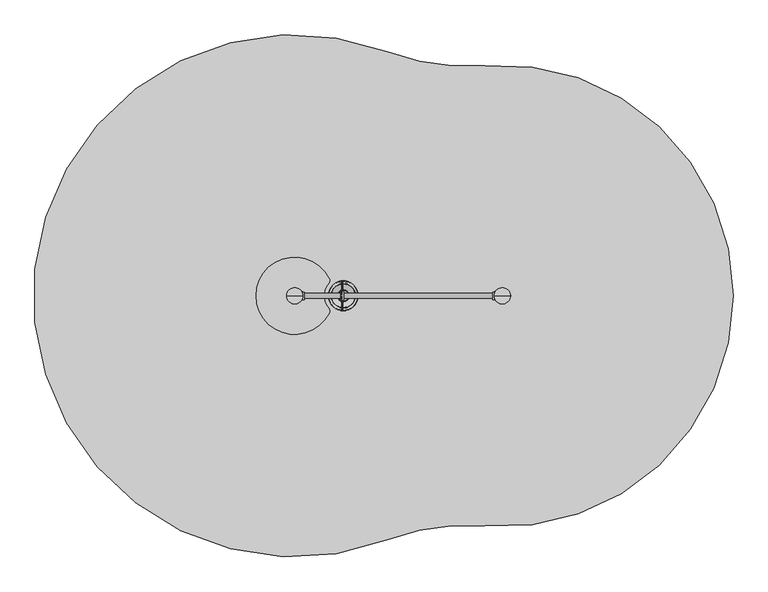
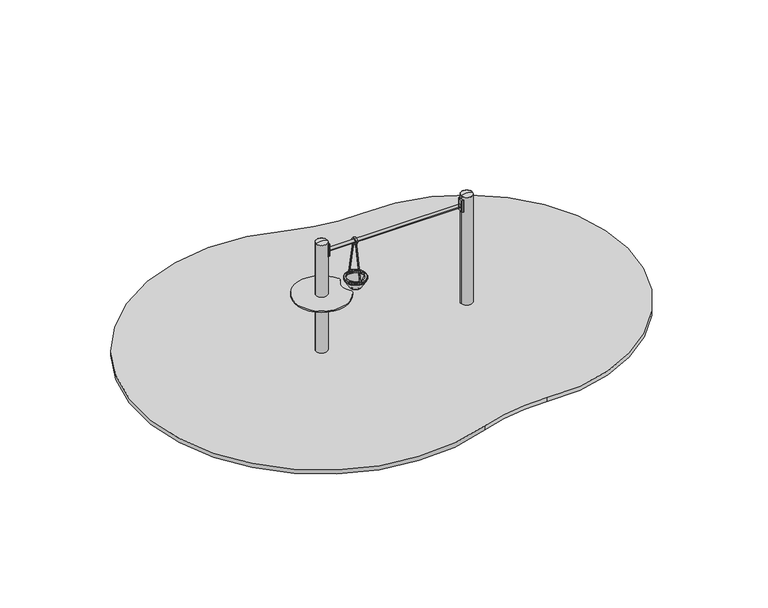
"""IFC4 building model written with IfcOpenShell, lengths in millimetres: furniture geometry."""

from ifc_helpers import new_model, si_unit, point, frame, frame_2d, origin, origin_2d, place, context, project, spatial, polyline, circle_curve, ellipse_curve, trimmed, segment, composite_curve, outline, extrude, source, transform, mapped, element, save
from ifc_brep_helpers import plane_surface, cylinder_surface, revolved_surface, extruded_surface, advanced_brep


def furniture_5158a9ff(model_context):
    return source(origin(), model_context, "Body", "SolidModel", [
        advanced_brep(
        [(-1387.5, 72.4599432, -225.0), (-1400.0, 72.4599432, -225.0), (-1412.5, 72.4599432, -225.0), (-1472.5, 12.4599432, -225.0), (-1472.5, -12.5400568, -225.0), (-1412.5, -72.5400568, -225.0), (-1387.5, -72.5400568, -225.0), (-1327.5, -12.5400568, -225.0), (-1327.5, 12.4599432, -225.0), (-1310.0, 150.0, -460.0), (-1400.0, 150.0, -460.0), (-1490.0, 150.0, -460.0), (-1550.0, 90.0, -460.0), (-1550.0, -90.0, -460.0), (-1490.0, -150.0, -460.0), (-1310.0, -150.0, -460.0), (-1250.0, -90.0, -460.0), (-1250.0, 90.0, -460.0), (-1310.0, 150.0, -600.0), (-1250.0, 90.0, -600.0), (-1250.0, -90.0, -600.0), (-1310.0, -150.0, -600.0), (-1490.0, -150.0, -600.0), (-1550.0, -90.0, -600.0), (-1550.0, 90.0, -600.0), (-1490.0, 150.0, -600.0), (-1400.0, 150.0, -600.0)],
        [
            (0, 1),
            (1, 2),
            (2, 3, circle_curve(frame((-1412.5, 12.4599432, -225.0), z_axis=(0.0, 0.0, 1.0), x_axis=(1.0, 0.0, 0.0)), 60.0)),
            (3, 4),
            (4, 5, circle_curve(frame((-1412.5, -12.5400568, -225.0), z_axis=(0.0, 0.0, 1.0), x_axis=(1.0, 0.0, 0.0)), 60.0)),
            (5, 6),
            (6, 7, circle_curve(frame((-1387.5, -12.5400568, -225.0), z_axis=(0.0, 0.0, 1.0), x_axis=(1.0, 0.0, 0.0)), 60.0)),
            (7, 8),
            (8, 0, circle_curve(frame((-1387.5, 12.4599432, -225.0), z_axis=(0.0, 0.0, 1.0), x_axis=(1.0, 0.0, 0.0)), 60.0)),
            (0, 9),
            (9, 10),
            (10, 1),
            (10, 11),
            (11, 2),
            (11, 12, circle_curve(frame((-1490.0, 90.0, -460.0), z_axis=(0.0, 0.0, 1.0), x_axis=(1.0, 0.0, 0.0)), 60.0)),
            (12, 3),
            (12, 13),
            (13, 4),
            (13, 14, circle_curve(frame((-1490.0, -90.0, -460.0), z_axis=(0.0, 0.0, 1.0), x_axis=(1.0, 0.0, 0.0)), 60.0)),
            (14, 5),
            (14, 15),
            (15, 6),
            (15, 16, circle_curve(frame((-1310.0, -90.0, -460.0), z_axis=(0.0, 0.0, 1.0), x_axis=(1.0, 0.0, 0.0)), 60.0)),
            (16, 7),
            (16, 17),
            (17, 8),
            (17, 9, circle_curve(frame((-1310.0, 90.0, -460.0), z_axis=(0.0, 0.0, 1.0), x_axis=(1.0, 0.0, 0.0)), 60.0)),
            (18, 19, circle_curve(frame((-1310.0, 90.0, -600.0), z_axis=(0.0, 0.0, -1.0), x_axis=(1.0, 0.0, 0.0)), 60.0)),
            (19, 20),
            (20, 21, circle_curve(frame((-1310.0, -90.0, -600.0), z_axis=(0.0, 0.0, -1.0), x_axis=(1.0, 0.0, 0.0)), 60.0)),
            (21, 22),
            (22, 23, circle_curve(frame((-1490.0, -90.0, -600.0), z_axis=(0.0, 0.0, -1.0), x_axis=(1.0, 0.0, 0.0)), 60.0)),
            (23, 24),
            (24, 25, circle_curve(frame((-1490.0, 90.0, -600.0), z_axis=(0.0, 0.0, -1.0), x_axis=(1.0, 0.0, 0.0)), 60.0)),
            (25, 26),
            (26, 18),
            (26, 10),
            (9, 18),
            (25, 11),
            (23, 13),
            (12, 24),
            (21, 15),
            (14, 22),
            (19, 17),
            (16, 20),
        ],
        [
            plane_surface(frame((-1400.0, 8.0154988, -225.0), z_axis=(0.0, 0.0, 1.0), x_axis=(-1.0, 0.0, 0.0))),
            plane_surface(frame((-1393.75, 72.4599432, -225.0), z_axis=(0.0, 0.9496406059136844, 0.3133412191204512), x_axis=(1.0, 0.0, 0.0))),
            plane_surface(frame((-1406.25, 72.4599432, -225.0), z_axis=(0.0, 0.9496406059136843, 0.3133412191204512), x_axis=(1.0, 0.0, 0.0))),
            extruded_surface(trimmed(circle_curve(frame((-1412.5, 12.4599432, -225.0), z_axis=(0.0, 0.0, -1.0), x_axis=(1.0, 0.0, 0.0)), 60.0), [point((-1472.5, 12.4599432, -225.0))], [point((-1412.5, 72.4599432, -225.0))], True, "CARTESIAN"), (-77.5, 77.5400568, -235.0), 259.3139225119763),
            plane_surface(frame((-1472.5, -0.0400568, -225.0), z_axis=(-0.9496887635303409, 0.0, 0.31319523052596476), x_axis=(0.0, 1.0, 0.0))),
            extruded_surface(trimmed(circle_curve(frame((-1412.5, -12.5400568, -225.0), z_axis=(0.0, 0.0, -1.0), x_axis=(1.0, 0.0, 0.0)), 60.0), [point((-1412.5, -72.5400568, -225.0))], [point((-1472.5, -12.5400568, -225.0))], True, "CARTESIAN"), (-77.5, -77.4599432, -235.0), 259.2899782107809),
            plane_surface(frame((-1400.0, -72.5400568, -225.0), z_axis=(0.0, -0.9497369035840961, 0.3130492197250991), x_axis=(-1.0, 0.0, 0.0))),
            extruded_surface(trimmed(circle_curve(frame((-1387.5, -12.5400568, -225.0), z_axis=(0.0, 0.0, -1.0), x_axis=(1.0, 0.0, 0.0)), 60.0), [point((-1327.5, -12.5400568, -225.0))], [point((-1387.5, -72.5400568, -225.0))], True, "CARTESIAN"), (77.5, -77.4599432, -235.0), 259.2899782107809),
            plane_surface(frame((-1327.5, -0.0400568, -225.0), z_axis=(0.9496887635303416, 0.0, 0.3131952305259627), x_axis=(0.0, -1.0, 0.0))),
            extruded_surface(trimmed(circle_curve(frame((-1387.5, 12.4599432, -225.0), z_axis=(0.0, 0.0, -1.0), x_axis=(1.0, 0.0, 0.0)), 60.0), [point((-1387.5, 72.4599432, -225.0))], [point((-1327.5, 12.4599432, -225.0))], True, "CARTESIAN"), (77.5, 77.5400568, -235.0), 259.3139225119763),
            plane_surface(frame((-1400.0, 150.0, -600.0), z_axis=(0.0, 0.0, -1.0), x_axis=(1.0, 0.0, 0.0))),
            plane_surface(frame((-1310.0, 150.0, -460.0), z_axis=(0.0, 1.0, 0.0), x_axis=(0.0, 0.0, -1.0))),
            plane_surface(frame((-1400.0, 150.0, -460.0), z_axis=(0.0, 1.0, 0.0), x_axis=(0.0, 0.0, -1.0))),
            plane_surface(frame((-1550.0, 90.0, -460.0), z_axis=(-1.0, 0.0, 0.0), x_axis=(0.0, 0.0, -1.0))),
            plane_surface(frame((-1490.0, -150.0, -460.0), z_axis=(0.0, -1.0, 0.0), x_axis=(0.0, 0.0, -1.0))),
            plane_surface(frame((-1250.0, -90.0, -460.0), z_axis=(1.0, 0.0, 0.0), x_axis=(0.0, 0.0, -1.0))),
            cylinder_surface(frame((-1490.0, 90.0, -600.0), z_axis=(0.0, 0.0, 1.0), x_axis=(1.0, 0.0, 0.0)), 60.0),
            cylinder_surface(frame((-1490.0, -90.0, -600.0), z_axis=(0.0, 0.0, 1.0), x_axis=(1.0, 0.0, 0.0)), 60.0),
            cylinder_surface(frame((-1310.0, -90.0, -600.0), z_axis=(0.0, 0.0, 1.0), x_axis=(1.0, 0.0, 0.0)), 60.0),
            cylinder_surface(frame((-1310.0, 90.0, -600.0), z_axis=(0.0, 0.0, 1.0), x_axis=(1.0, 0.0, 0.0)), 60.0),
        ],
        [
            (0, [[1, 2, 3, 4, 5, 6, 7, 8, 9]]),
            (1, [[-1, 10, 11, 12]]),
            (2, [[-2, -12, 13, 14]]),
            (3, [[-3, -14, 15, 16]]),
            (4, [[-4, -16, 17, 18]]),
            (5, [[-5, -18, 19, 20]]),
            (6, [[-6, -20, 21, 22]]),
            (7, [[-7, -22, 23, 24]]),
            (8, [[-8, -24, 25, 26]]),
            (9, [[-9, -26, 27, -10]]),
            (10, [[28, 29, 30, 31, 32, 33, 34, 35, 36]]),
            (11, [[-36, 37, -11, 38]]),
            (12, [[-35, 39, -13, -37]]),
            (13, [[-33, 40, -17, 41]]),
            (14, [[-31, 42, -21, 43]]),
            (15, [[-29, 44, -25, 45]]),
            (16, [[-34, -41, -15, -39]]),
            (17, [[-32, -43, -19, -40]]),
            (18, [[-30, -45, -23, -42]]),
            (19, [[-28, -38, -27, -44]]),
        ],
    ),
        extrude(outline(composite_curve([segment(trimmed(circle_curve(frame_2d((-1400.0, 0.0)), 55.0), [point((-1455.0, 0.0))], [point((-1345.0, 0.0))], False, "CARTESIAN"), True, "CONTINUOUS"), segment(trimmed(circle_curve(frame_2d((-1400.0, 0.0)), 55.0), [point((-1345.0, 0.0))], [point((-1455.0, 0.0))], False, "CARTESIAN"), True, "CONTINUOUS")], self_intersect=False)), frame((0.0, 0.0, -600.0), z_axis=(0.0, 0.0, 1.0), x_axis=(1.0, 0.0, 0.0)), (0.0, 0.0, 1.0), 500.0),
        advanced_brep(
        [(12.5, 72.4599432, -225.0), (0.0, 72.4599432, -225.0), (-12.5, 72.4599432, -225.0), (-72.5, 12.4599432, -225.0), (-72.5, -12.5400568, -225.0), (-12.5, -72.5400568, -225.0), (12.5, -72.5400568, -225.0), (72.5, -12.5400568, -225.0), (72.5, 12.4599432, -225.0), (90.0, 150.0, -460.0), (0.0, 150.0, -460.0), (-90.0, 150.0, -460.0), (-150.0, 90.0, -460.0), (-150.0, -90.0, -460.0), (-90.0, -150.0, -460.0), (90.0, -150.0, -460.0), (150.0, -90.0, -460.0), (150.0, 90.0, -460.0), (90.0, 150.0, -600.0), (150.0, 90.0, -600.0), (150.0, -90.0, -600.0), (90.0, -150.0, -600.0), (-90.0, -150.0, -600.0), (-150.0, -90.0, -600.0), (-150.0, 90.0, -600.0), (-90.0, 150.0, -600.0), (0.0, 150.0, -600.0)],
        [
            (0, 1),
            (1, 2),
            (2, 3, circle_curve(frame((-12.5, 12.4599432, -225.0), z_axis=(0.0, 0.0, 1.0), x_axis=(1.0, 0.0, 0.0)), 60.0)),
            (3, 4),
            (4, 5, circle_curve(frame((-12.5, -12.5400568, -225.0), z_axis=(0.0, 0.0, 1.0), x_axis=(1.0, 0.0, 0.0)), 60.0)),
            (5, 6),
            (6, 7, circle_curve(frame((12.5, -12.5400568, -225.0), z_axis=(0.0, 0.0, 1.0), x_axis=(1.0, 0.0, 0.0)), 60.0)),
            (7, 8),
            (8, 0, circle_curve(frame((12.5, 12.4599432, -225.0), z_axis=(0.0, 0.0, 1.0), x_axis=(1.0, 0.0, 0.0)), 60.0)),
            (0, 9),
            (9, 10),
            (10, 1),
            (10, 11),
            (11, 2),
            (11, 12, circle_curve(frame((-90.0, 90.0, -460.0), z_axis=(0.0, 0.0, 1.0), x_axis=(1.0, 0.0, 0.0)), 60.0)),
            (12, 3),
            (12, 13),
            (13, 4),
            (13, 14, circle_curve(frame((-90.0, -90.0, -460.0), z_axis=(0.0, 0.0, 1.0), x_axis=(1.0, 0.0, 0.0)), 60.0)),
            (14, 5),
            (14, 15),
            (15, 6),
            (15, 16, circle_curve(frame((90.0, -90.0, -460.0), z_axis=(0.0, 0.0, 1.0), x_axis=(1.0, 0.0, 0.0)), 60.0)),
            (16, 7),
            (16, 17),
            (17, 8),
            (17, 9, circle_curve(frame((90.0, 90.0, -460.0), z_axis=(0.0, 0.0, 1.0), x_axis=(1.0, 0.0, 0.0)), 60.0)),
            (18, 19, circle_curve(frame((90.0, 90.0, -600.0), z_axis=(0.0, 0.0, -1.0), x_axis=(1.0, 0.0, 0.0)), 60.0)),
            (19, 20),
            (20, 21, circle_curve(frame((90.0, -90.0, -600.0), z_axis=(0.0, 0.0, -1.0), x_axis=(1.0, 0.0, 0.0)), 60.0)),
            (21, 22),
            (22, 23, circle_curve(frame((-90.0, -90.0, -600.0), z_axis=(0.0, 0.0, -1.0), x_axis=(1.0, 0.0, 0.0)), 60.0)),
            (23, 24),
            (24, 25, circle_curve(frame((-90.0, 90.0, -600.0), z_axis=(0.0, 0.0, -1.0), x_axis=(1.0, 0.0, 0.0)), 60.0)),
            (25, 26),
            (26, 18),
            (26, 10),
            (9, 18),
            (25, 11),
            (23, 13),
            (12, 24),
            (21, 15),
            (14, 22),
            (19, 17),
            (16, 20),
        ],
        [
            plane_surface(frame((0.0, 8.0154988, -225.0), z_axis=(0.0, 0.0, 1.0), x_axis=(-1.0, 0.0, 0.0))),
            plane_surface(frame((6.25, 72.4599432, -225.0), z_axis=(0.0, 0.9496406059136844, 0.3133412191204512), x_axis=(1.0, 0.0, 0.0))),
            plane_surface(frame((-6.25, 72.4599432, -225.0), z_axis=(0.0, 0.9496406059136843, 0.3133412191204512), x_axis=(1.0, 0.0, 0.0))),
            extruded_surface(trimmed(circle_curve(frame((-12.5, 12.4599432, -225.0), z_axis=(0.0, 0.0, -1.0), x_axis=(1.0, 0.0, 0.0)), 60.0), [point((-72.5, 12.4599432, -225.0))], [point((-12.5, 72.4599432, -225.0))], True, "CARTESIAN"), (-77.5, 77.5400568, -235.0), 259.3139225119763),
            plane_surface(frame((-72.5, -0.0400568, -225.0), z_axis=(-0.9496887635303409, 0.0, 0.31319523052596476), x_axis=(0.0, 1.0, 0.0))),
            extruded_surface(trimmed(circle_curve(frame((-12.5, -12.5400568, -225.0), z_axis=(0.0, 0.0, -1.0), x_axis=(1.0, 0.0, 0.0)), 60.0), [point((-12.5, -72.5400568, -225.0))], [point((-72.5, -12.5400568, -225.0))], True, "CARTESIAN"), (-77.5, -77.4599432, -235.0), 259.2899782107809),
            plane_surface(frame((0.0, -72.5400568, -225.0), z_axis=(0.0, -0.9497369035840961, 0.3130492197250991), x_axis=(-1.0, 0.0, 0.0))),
            extruded_surface(trimmed(circle_curve(frame((12.5, -12.5400568, -225.0), z_axis=(0.0, 0.0, -1.0), x_axis=(1.0, 0.0, 0.0)), 60.0), [point((72.5, -12.5400568, -225.0))], [point((12.5, -72.5400568, -225.0))], True, "CARTESIAN"), (77.5, -77.4599432, -235.0), 259.2899782107809),
            plane_surface(frame((72.5, -0.0400568, -225.0), z_axis=(0.9496887635303416, 0.0, 0.3131952305259627), x_axis=(0.0, -1.0, 0.0))),
            extruded_surface(trimmed(circle_curve(frame((12.5, 12.4599432, -225.0), z_axis=(0.0, 0.0, -1.0), x_axis=(1.0, 0.0, 0.0)), 60.0), [point((12.5, 72.4599432, -225.0))], [point((72.5, 12.4599432, -225.0))], True, "CARTESIAN"), (77.5, 77.5400568, -235.0), 259.3139225119763),
            plane_surface(frame((0.0, 150.0, -600.0), z_axis=(0.0, 0.0, -1.0), x_axis=(1.0, 0.0, 0.0))),
            plane_surface(frame((90.0, 150.0, -460.0), z_axis=(0.0, 1.0, 0.0), x_axis=(0.0, 0.0, -1.0))),
            plane_surface(frame((0.0, 150.0, -460.0), z_axis=(0.0, 1.0, 0.0), x_axis=(0.0, 0.0, -1.0))),
            plane_surface(frame((-150.0, 90.0, -460.0), z_axis=(-1.0, 0.0, 0.0), x_axis=(0.0, 0.0, -1.0))),
            plane_surface(frame((-90.0, -150.0, -460.0), z_axis=(0.0, -1.0, 0.0), x_axis=(0.0, 0.0, -1.0))),
            plane_surface(frame((150.0, -90.0, -460.0), z_axis=(1.0, 0.0, 0.0), x_axis=(0.0, 0.0, -1.0))),
            cylinder_surface(frame((-90.0, 90.0, -600.0), z_axis=(0.0, 0.0, 1.0), x_axis=(1.0, 0.0, 0.0)), 60.0),
            cylinder_surface(frame((-90.0, -90.0, -600.0), z_axis=(0.0, 0.0, 1.0), x_axis=(1.0, 0.0, 0.0)), 60.0),
            cylinder_surface(frame((90.0, -90.0, -600.0), z_axis=(0.0, 0.0, 1.0), x_axis=(1.0, 0.0, 0.0)), 60.0),
            cylinder_surface(frame((90.0, 90.0, -600.0), z_axis=(0.0, 0.0, 1.0), x_axis=(1.0, 0.0, 0.0)), 60.0),
        ],
        [
            (0, [[1, 2, 3, 4, 5, 6, 7, 8, 9]]),
            (1, [[-1, 10, 11, 12]]),
            (2, [[-2, -12, 13, 14]]),
            (3, [[-3, -14, 15, 16]]),
            (4, [[-4, -16, 17, 18]]),
            (5, [[-5, -18, 19, 20]]),
            (6, [[-6, -20, 21, 22]]),
            (7, [[-7, -22, 23, 24]]),
            (8, [[-8, -24, 25, 26]]),
            (9, [[-9, -26, 27, -10]]),
            (10, [[28, 29, 30, 31, 32, 33, 34, 35, 36]]),
            (11, [[-36, 37, -11, 38]]),
            (12, [[-35, 39, -13, -37]]),
            (13, [[-33, 40, -17, 41]]),
            (14, [[-31, 42, -21, 43]]),
            (15, [[-29, 44, -25, 45]]),
            (16, [[-34, -41, -15, -39]]),
            (17, [[-32, -43, -19, -40]]),
            (18, [[-30, -45, -23, -42]]),
            (19, [[-28, -38, -27, -44]]),
        ],
    ),
        extrude(outline(composite_curve([segment(trimmed(circle_curve(origin_2d(), 55.0), [point((-55.0, 0.0))], [point((55.0, 0.0))], False, "CARTESIAN"), True, "CONTINUOUS"), segment(trimmed(circle_curve(origin_2d(), 55.0), [point((55.0, 0.0))], [point((-55.0, 0.0))], False, "CARTESIAN"), True, "CONTINUOUS")], self_intersect=False)), frame((0.0, 0.0, -600.0), z_axis=(0.0, 0.0, 1.0), x_axis=(1.0, 0.0, 0.0)), (0.0, 0.0, 1.0), 500.0),
        extrude(outline(composite_curve([segment(trimmed(circle_curve(frame_2d((-47.0222511, -30.3699948)), 1.0), [point((-46.18208, -29.8276734))], [point((-47.3642712, -31.3096874))], False, "CARTESIAN"), True, "CONTINUOUS"), segment(polyline([(-47.3642712, -31.3096874), (-64.0420201, -25.2394832)]), True, "CONTINUOUS"), segment(trimmed(circle_curve(frame_2d((-63.7, -24.2997906)), 1.0), [point((-64.0420201, -25.2394832))], [point((-64.7, -24.2997906))], False, "CARTESIAN"), True, "CONTINUOUS"), segment(polyline([(-64.7, -24.2997906), (-64.7, 24.2997943)]), True, "CONTINUOUS"), segment(trimmed(circle_curve(frame_2d((-63.7, 24.2997943)), 1.0), [point((-64.7, 24.2997943))], [point((-64.0420201, 25.2394869))], False, "CARTESIAN"), True, "CONTINUOUS"), segment(polyline([(-64.0420201, 25.2394869), (-47.3642712, 31.3096911)]), True, "CONTINUOUS"), segment(trimmed(circle_curve(frame_2d((-47.0222511, 30.3699985)), 1.0), [point((-47.3642712, 31.3096911))], [point((-46.18208, 29.8276771))], False, "CARTESIAN"), True, "CONTINUOUS"), segment(trimmed(circle_curve(frame_2d((0.0273324, 1.9e-06)), 55.0), [point((-46.18208, 29.8276771))], [point((-46.18208, -29.8276734))], True, "CARTESIAN"), True, "CONTINUOUS")], self_intersect=False)), frame((0.0, 0.0, 950.0), z_axis=(0.0, 0.0, 1.0), x_axis=(1.0, 0.0, 0.0)), (0.0, 0.0, 1.0), 120.0),
        extrude(outline(composite_curve([segment(trimmed(circle_curve(frame_2d((-1352.9777489, 30.3699948)), 1.0), [point((-1353.81792, 29.8276734))], [point((-1352.6357288, 31.3096874))], False, "CARTESIAN"), True, "CONTINUOUS"), segment(polyline([(-1352.6357288, 31.3096874), (-1335.9579799, 25.2394832)]), True, "CONTINUOUS"), segment(trimmed(circle_curve(frame_2d((-1336.3, 24.2997906)), 1.0), [point((-1335.9579799, 25.2394832))], [point((-1335.3, 24.2997906))], False, "CARTESIAN"), True, "CONTINUOUS"), segment(polyline([(-1335.3, 24.2997906), (-1335.3, -24.2997943)]), True, "CONTINUOUS"), segment(trimmed(circle_curve(frame_2d((-1336.3, -24.2997943)), 1.0), [point((-1335.3, -24.2997943))], [point((-1335.9579799, -25.2394869))], False, "CARTESIAN"), True, "CONTINUOUS"), segment(polyline([(-1335.9579799, -25.2394869), (-1352.6357288, -31.3096911)]), True, "CONTINUOUS"), segment(trimmed(circle_curve(frame_2d((-1352.9777489, -30.3699985)), 1.0), [point((-1352.6357288, -31.3096911))], [point((-1353.81792, -29.8276771))], False, "CARTESIAN"), True, "CONTINUOUS"), segment(trimmed(circle_curve(frame_2d((-1400.0273324, -1.9e-06)), 55.0), [point((-1353.81792, -29.8276771))], [point((-1353.81792, 29.8276734))], True, "CARTESIAN"), True, "CONTINUOUS")], self_intersect=False)), frame((0.0, 0.0, 950.0), z_axis=(0.0, 0.0, 1.0), x_axis=(1.0, 0.0, 0.0)), (0.0, 0.0, 1.0), 120.0),
        advanced_brep(
        [(55.0, 0.0, 1100.0), (-55.0, 0.0, 1100.0), (0.0, 0.0, 1112.0246565), (0.0, 0.0, 1100.0)],
        [
            (0, 1, circle_curve(frame((0.0, 0.0, 1100.0), z_axis=(0.0, 0.0, 1.0), x_axis=(-1.0, 0.0, 0.0)), 55.0)),
            (1, 2, circle_curve(frame((-4.5450144, 0.0, 1001.0177111), z_axis=(0.0, 1.0, 0.0), x_axis=(-1.0, 0.0, 0.0)), 111.0999509)),
            (2, 0, circle_curve(frame((4.5450144, 0.0, 1001.0177111), z_axis=(0.0, 1.0, 0.0), x_axis=(1.0, 0.0, 0.0)), 111.0999509)),
            (1, 0, circle_curve(frame((0.0, 0.0, 1100.0), z_axis=(0.0, 0.0, 1.0), x_axis=(-1.0, 0.0, 0.0)), 55.0)),
            (3, 1),
            (0, 3),
        ],
        [
            revolved_surface(trimmed(ellipse_curve(frame((-4.5450144, 0.0, 1001.0177111), z_axis=(0.0, -1.0, 0.0), x_axis=(-1.0, 0.0, 0.0)), 111.0999509, 111.0999509), [point((0.0, 0.0, 1112.0246565))], [point((-55.0, 0.0, 1100.0))], True, "CARTESIAN"), (0.0, 0.0, 719.0), (0.0, 0.0, -1.0)),
            plane_surface(frame((0.0, 0.0, 1100.0), z_axis=(0.0, 0.0, -1.0), x_axis=(-1.0, 0.0, 0.0))),
        ],
        [
            (0, [[1, 2, 3]]),
            (0, [[4, -3, -2]]),
            (1, [[5, -1, 6]]),
            (1, [[-6, -4, -5]]),
        ],
    ),
        advanced_brep(
        [(-1345.0, 0.0, 1100.0), (-1455.0, 0.0, 1100.0), (-1400.0, 0.0, 1112.0246565), (-1400.0, 0.0, 1100.0)],
        [
            (0, 1, circle_curve(frame((-1400.0, 0.0, 1100.0), z_axis=(0.0, 0.0, 1.0), x_axis=(-1.0, 0.0, 0.0)), 55.0)),
            (1, 2, circle_curve(frame((-1404.5450144, 0.0, 1001.0177111), z_axis=(0.0, 1.0, 0.0), x_axis=(-1.0, 0.0, 0.0)), 111.0999509)),
            (2, 0, circle_curve(frame((-1395.4549856, 0.0, 1001.0177111), z_axis=(0.0, 1.0, 0.0), x_axis=(1.0, 0.0, 0.0)), 111.0999509)),
            (1, 0, circle_curve(frame((-1400.0, 0.0, 1100.0), z_axis=(0.0, 0.0, 1.0), x_axis=(-1.0, 0.0, 0.0)), 55.0)),
            (3, 1),
            (0, 3),
        ],
        [
            revolved_surface(trimmed(ellipse_curve(frame((-1404.5450144, 0.0, 1001.0177111), z_axis=(0.0, -1.0, 0.0), x_axis=(-1.0, 0.0, 0.0)), 111.0999509, 111.0999509), [point((-1400.0, 0.0, 1112.0246565))], [point((-1455.0, 0.0, 1100.0))], True, "CARTESIAN"), (-1400.0, 0.0, 719.0), (0.0, 0.0, -1.0)),
            plane_surface(frame((-1400.0, 0.0, 1100.0), z_axis=(0.0, 0.0, -1.0), x_axis=(-1.0, 0.0, 0.0))),
        ],
        [
            (0, [[1, 2, 3]]),
            (0, [[4, -3, -2]]),
            (1, [[5, -1, 6]]),
            (1, [[-6, -4, -5]]),
        ],
    ),
        extrude(outline(composite_curve([segment(trimmed(circle_curve(frame_2d((-234.7232143, -3066.0283777)), 1520.0), [point((-118.6974303, -1550.4631308))], [point((-774.7295296, -1645.1859587))], True, "CARTESIAN"), True, "CONTINUOUS"), segment(trimmed(circle_curve(frame_2d((-1400.0, 0.0)), 1760.0), [point((-774.7295296, -1645.1859587))], [point((-774.7295296, 1645.1859587))], False, "CARTESIAN"), True, "CONTINUOUS"), segment(trimmed(circle_curve(frame_2d((-234.7232143, 3066.0283777)), 1520.0), [point((-774.7295296, 1645.1859587))], [point((-118.6974303, 1550.4631308))], True, "CARTESIAN"), True, "CONTINUOUS"), segment(trimmed(circle_curve(origin_2d(), 1555.0), [point((-118.6974303, 1550.4631308))], [point((-118.6974303, -1550.4631308))], False, "CARTESIAN"), True, "CONTINUOUS")], self_intersect=False)), frame((0.0, 0.0, -40.0), z_axis=(0.0, 0.0, 1.0), x_axis=(1.0, 0.0, 0.0)), (0.0, 0.0, 1.0), 41.0),
        extrude(outline(composite_curve([segment(trimmed(circle_curve(frame_2d((0.0, 1000.0)), 30.0), [point((30.0, 1000.0))], [point((-30.0, 1000.0))], False, "CARTESIAN"), True, "CONTINUOUS"), segment(trimmed(circle_curve(frame_2d((0.0, 1000.0)), 30.0), [point((-30.0, 1000.0))], [point((30.0, 1000.0))], False, "CARTESIAN"), True, "CONTINUOUS")], self_intersect=False), holes=[composite_curve([segment(trimmed(circle_curve(frame_2d((0.0, 1000.0)), 16.5), [point((16.5, 1000.0))], [point((-16.5, 1000.0))], True, "CARTESIAN"), True, "CONTINUOUS"), segment(trimmed(circle_curve(frame_2d((0.0, 1000.0)), 16.5), [point((-16.5, 1000.0))], [point((16.5, 1000.0))], True, "CARTESIAN"), True, "CONTINUOUS")], self_intersect=False)]), frame((-1090.0, 0.0, 0.0), z_axis=(1.0, 0.0, 0.0), x_axis=(0.0, 1.0, 0.0)), (0.0, 0.0, 1.0), 20.0),
        extrude(outline(composite_curve([segment(trimmed(circle_curve(frame_2d((0.0, 1000.0)), 16.5), [point((16.5, 1000.0))], [point((-16.5, 1000.0))], False, "CARTESIAN"), True, "CONTINUOUS"), segment(trimmed(circle_curve(frame_2d((0.0, 1000.0)), 16.5), [point((-16.5, 1000.0))], [point((16.5, 1000.0))], False, "CARTESIAN"), True, "CONTINUOUS")], self_intersect=False)), frame((-1335.3, 0.0, 0.0), z_axis=(1.0, 0.0, 0.0), x_axis=(0.0, 1.0, 0.0)), (0.0, 0.0, 1.0), 1270.6),
        extrude(outline(composite_curve([segment(trimmed(circle_curve(frame_2d((-1400.0, 0.0)), 260.0), [point((-1167.3377594, -116.0529268))], [point((-1167.3377594, 116.0529268))], False, "CARTESIAN"), True, "CONTINUOUS"), segment(trimmed(circle_curve(frame_2d((-1194.1834026, 102.6622045)), 30.0), [point((-1167.3377594, 116.0529268))], [point((-1171.6429099, 82.8650787))], False, "CARTESIAN"), True, "CONTINUOUS"), segment(trimmed(circle_curve(frame_2d((-1077.2948854, 0.0)), 125.571378), [point((-1171.6429099, 82.8650787))], [point((-1171.6429099, -82.8650787))], True, "CARTESIAN"), True, "CONTINUOUS"), segment(trimmed(circle_curve(frame_2d((-1194.1834026, -102.6622045)), 30.0), [point((-1171.6429099, -82.8650787))], [point((-1167.3377594, -116.0529268))], False, "CARTESIAN"), True, "CONTINUOUS")], self_intersect=False), holes=[composite_curve([segment(trimmed(circle_curve(frame_2d((-1400.0, 0.0)), 55.0), [point((-1455.0, 0.0))], [point((-1345.0, 0.0))], True, "CARTESIAN"), True, "CONTINUOUS"), segment(trimmed(circle_curve(frame_2d((-1400.0, 0.0)), 55.0), [point((-1345.0, 0.0))], [point((-1455.0, 0.0))], True, "CARTESIAN"), True, "CONTINUOUS")], self_intersect=False)]), frame((0.0, 0.0, 562.0), z_axis=(0.0, 0.0, 1.0), x_axis=(1.0, 0.0, 0.0)), (0.0, 0.0, 1.0), 12.0),
        advanced_brep(
        [(-1080.0, 90.8975363, 632.6732209), (-1080.0, 98.9850783, 634.3039554), (-1080.0, 15.5237431, 1006.4855806), (-1080.0, 23.611285, 1008.1163152), (-1080.0, -88.4229394, 631.7809098), (-1080.0, -96.5217183, 633.3548886), (-1080.0, -23.7199626, 1007.9503529), (-1080.0, -15.6211836, 1006.3763741)],
        [
            (0, 1, circle_curve(frame((-1080.0, 94.9413073, 633.4885881), z_axis=(0.0, 0.19765734037912772, -0.9802711746217215), x_axis=(0.0, 0.9802711746217215, 0.19765734037912772)), 4.1251554)),
            (1, 0, circle_curve(frame((-1080.0, 94.9413073, 633.4885881), z_axis=(0.0, 0.19765734037912772, -0.9802711746217215), x_axis=(0.0, 0.9802711746217215, 0.19765734037912772)), 4.1251554)),
            (0, 2),
            (2, 3, circle_curve(frame((-1080.0, 19.5675141, 1007.3009479), z_axis=(0.0, 0.19765734037912772, -0.9802711746217215), x_axis=(0.0, 0.9802711746217215, 0.19765734037912772)), 4.1251554)),
            (3, 1),
            (3, 2, circle_curve(frame((-1080.0, 19.5675141, 1007.3009479), z_axis=(0.0, 0.19765734037912772, -0.9802711746217215), x_axis=(0.0, 0.9802711746217215, 0.19765734037912772)), 4.1251554)),
            (4, 5, circle_curve(frame((-1080.0, -92.4723288, 632.5678992), z_axis=(0.0, -0.19077812223960366, -0.9816331840737307), x_axis=(0.0, -0.9816331840737307, 0.19077812223960366)), 4.1251554)),
            (5, 4, circle_curve(frame((-1080.0, -92.4723288, 632.5678992), z_axis=(0.0, -0.19077812223960366, -0.9816331840737307), x_axis=(0.0, -0.9816331840737307, 0.19077812223960366)), 4.1251554)),
            (6, 7, circle_curve(frame((-1080.0, -19.6705731, 1007.1633635), z_axis=(0.0, -0.19077812223960366, -0.9816331840737307), x_axis=(0.0, -0.9816331840737307, 0.19077812223960366)), 4.1251554)),
            (7, 4),
            (5, 6),
            (7, 6, circle_curve(frame((-1080.0, -19.6705731, 1007.1633635), z_axis=(0.0, -0.19077812223960366, -0.9816331840737307), x_axis=(0.0, -0.9816331840737307, 0.19077812223960366)), 4.1251554)),
            (6, 3, circle_curve(frame((-1080.0, -0.0379094, 1003.3478011), z_axis=(-1.0, 0.0, 0.0), x_axis=(0.0, 0.9802711746217236, 0.19765734037911695)), 24.1251554)),
            (2, 7, circle_curve(frame((-1080.0, -0.0379094, 1003.3478011), z_axis=(1.0, 0.0, 0.0), x_axis=(0.0, 0.9802711746217236, 0.19765734037911695)), 15.8748446)),
        ],
        [
            plane_surface(frame((-1080.0, 94.9413073, 633.4885881), z_axis=(0.0, 0.19765734037912772, -0.9802711746217215), x_axis=(-1.0, 0.0, 0.0))),
            cylinder_surface(frame((-1080.0, 94.9413073, 633.4885881), z_axis=(0.0, 0.19765734037912772, -0.9802711746217215), x_axis=(0.0, 0.9802711746217215, 0.19765734037912772)), 4.1251554),
            plane_surface(frame((-1080.0, -92.4723288, 632.5678992), z_axis=(0.0, -0.19077812223960366, -0.9816331840737307), x_axis=(-1.0, 0.0, 0.0))),
            cylinder_surface(frame((-1080.0, -19.6705731, 1007.1633635), z_axis=(0.0, 0.19077812223960366, 0.9816331840737307), x_axis=(0.0, -0.9816331840737307, 0.19077812223960366)), 4.1251554),
            revolved_surface(trimmed(ellipse_curve(frame((-1080.0, 19.5675141, 1007.3009479), z_axis=(0.0, 0.19765734037911697, -0.9802711746217236), x_axis=(0.0, 0.9802711746217236, 0.19765734037911697)), 4.1251554, 4.1251554), [point((-1080.0, 15.5237431, 1006.4855806))], [point((-1080.0, 23.611285, 1008.1163152))], True, "CARTESIAN"), (-1080.0, -0.0379094, 1003.3478011), (1.0, 0.0, 0.0)),
            revolved_surface(trimmed(ellipse_curve(frame((-1080.0, 19.5675141, 1007.3009479), z_axis=(0.0, 0.19765734037911697, -0.9802711746217236), x_axis=(0.0, 0.9802711746217236, 0.19765734037911697)), 4.1251554, 4.1251554), [point((-1080.0, 23.611285, 1008.1163152))], [point((-1080.0, 15.5237431, 1006.4855806))], True, "CARTESIAN"), (-1080.0, -0.0379094, 1003.3478011), (1.0, 0.0, 0.0)),
        ],
        [
            (0, [[1, 2]]),
            (1, [[-1, 3, 4, 5]]),
            (1, [[-2, -5, 6, -3]]),
            (2, [[7, 8]]),
            (3, [[9, 10, -8, 11]]),
            (3, [[12, -11, -7, -10]]),
            (4, [[13, -4, 14, -9]]),
            (5, [[-14, -6, -13, -12]]),
        ],
    ),
        advanced_brep(
        [(-1155.1537721, 0.0, 632.5678992), (-989.485947, 0.0, 632.5678992), (-972.7366769, 0.0, 632.5678992), (-1171.9030422, 0.0, 632.5678992), (-1154.41947, 0.0, 616.9403877), (-990.2202491, 0.0, 616.9403877), (-990.2202491, 0.0, 631.8335971), (-1154.41947, 0.0, 631.8335971), (-1114.0054427, 0.0, 541.1779763), (-1030.6342764, 0.0, 541.1779763), (-991.3646734, 0.0, 612.48968), (-1153.2750457, 0.0, 612.48968), (-1072.3198595, 0.0, 537.5678992), (-1036.7435099, 0.0, 537.5678992), (-1107.8962092, 0.0, 537.5678992), (-1112.7644566, 0.0, 527.5678992), (-1031.8752625, 0.0, 527.5678992), (-1072.3198595, 0.0, 527.5678992), (-1164.8067528, 0.0, 603.2542348), (-979.8329663, 0.0, 603.2542348), (-1023.3521492, 0.0, 532.3375513), (-1121.2875699, 0.0, 532.3375513), (-1172.6222571, 0.0, 631.8486843), (-972.0174619, 0.0, 631.8486843), (-972.0174619, 0.0, 615.4421821), (-1172.6222571, 0.0, 615.4421821), (-1170.5618921, 0.0, 610.5066215), (-974.077827, 0.0, 610.5066215)],
        [
            (0, 1, circle_curve(frame((-1072.3198595, 0.0, 632.5678992), z_axis=(0.0, 0.0, -1.0), x_axis=(1.0, 0.0, 0.0)), 82.8339125)),
            (1, 2),
            (2, 3, circle_curve(frame((-1072.3198595, 0.0, 632.5678992), z_axis=(0.0, 0.0, 1.0), x_axis=(1.0, 0.0, 0.0)), 99.5831827)),
            (3, 0),
            (1, 0, circle_curve(frame((-1072.3198595, 0.0, 632.5678992), z_axis=(0.0, 0.0, -1.0), x_axis=(1.0, 0.0, 0.0)), 82.8339125)),
            (3, 2, circle_curve(frame((-1072.3198595, 0.0, 632.5678992), z_axis=(0.0, 0.0, 1.0), x_axis=(1.0, 0.0, 0.0)), 99.5831827)),
            (4, 5, circle_curve(frame((-1072.3198595, 0.0, 616.9403877), z_axis=(0.0, 0.0, -1.0), x_axis=(1.0, 0.0, 0.0)), 82.0996104)),
            (5, 6),
            (6, 7, circle_curve(frame((-1072.3198595, 0.0, 631.8335971), z_axis=(0.0, 0.0, 1.0), x_axis=(1.0, 0.0, 0.0)), 82.0996104)),
            (7, 4),
            (5, 4, circle_curve(frame((-1072.3198595, 0.0, 616.9403877), z_axis=(0.0, 0.0, -1.0), x_axis=(1.0, 0.0, 0.0)), 82.0996104)),
            (7, 6, circle_curve(frame((-1072.3198595, 0.0, 631.8335971), z_axis=(0.0, 0.0, 1.0), x_axis=(1.0, 0.0, 0.0)), 82.0996104)),
            (8, 9, circle_curve(frame((-1072.3198595, 0.0, 541.1779763), z_axis=(0.0, 0.0, -1.0), x_axis=(1.0, 0.0, 0.0)), 41.6855832)),
            (9, 10),
            (10, 11, circle_curve(frame((-1072.3198595, 0.0, 612.48968), z_axis=(0.0, 0.0, 1.0), x_axis=(1.0, 0.0, 0.0)), 80.9551862)),
            (11, 8),
            (9, 8, circle_curve(frame((-1072.3198595, 0.0, 541.1779763), z_axis=(0.0, 0.0, -1.0), x_axis=(1.0, 0.0, 0.0)), 41.6855832)),
            (11, 10, circle_curve(frame((-1072.3198595, 0.0, 612.48968), z_axis=(0.0, 0.0, 1.0), x_axis=(1.0, 0.0, 0.0)), 80.9551862)),
            (12, 13),
            (13, 14, circle_curve(frame((-1072.3198595, 0.0, 537.5678992), z_axis=(0.0, 0.0, 1.0), x_axis=(1.0, 0.0, 0.0)), 35.5763497)),
            (14, 12),
            (14, 13, circle_curve(frame((-1072.3198595, 0.0, 537.5678992), z_axis=(0.0, 0.0, 1.0), x_axis=(1.0, 0.0, 0.0)), 35.5763497)),
            (15, 16, circle_curve(frame((-1072.3198595, 0.0, 527.5678992), z_axis=(0.0, 0.0, -1.0), x_axis=(1.0, 0.0, 0.0)), 40.444597)),
            (16, 17),
            (17, 15),
            (16, 15, circle_curve(frame((-1072.3198595, 0.0, 527.5678992), z_axis=(0.0, 0.0, -1.0), x_axis=(1.0, 0.0, 0.0)), 40.444597)),
            (18, 19, circle_curve(frame((-1072.3198595, 0.0, 603.2542348), z_axis=(0.0, 0.0, -1.0), x_axis=(1.0, 0.0, 0.0)), 92.4868932)),
            (19, 20),
            (20, 21, circle_curve(frame((-1072.3198595, 0.0, 532.3375513), z_axis=(0.0, 0.0, 1.0), x_axis=(1.0, 0.0, 0.0)), 48.9677104)),
            (21, 18),
            (19, 18, circle_curve(frame((-1072.3198595, 0.0, 603.2542348), z_axis=(0.0, 0.0, -1.0), x_axis=(1.0, 0.0, 0.0)), 92.4868932)),
            (21, 20, circle_curve(frame((-1072.3198595, 0.0, 532.3375513), z_axis=(0.0, 0.0, 1.0), x_axis=(1.0, 0.0, 0.0)), 48.9677104)),
            (22, 23, circle_curve(frame((-1072.3198595, 0.0, 631.8486843), z_axis=(0.0, 0.0, -1.0), x_axis=(1.0, 0.0, 0.0)), 100.3023976)),
            (23, 24),
            (24, 25, circle_curve(frame((-1072.3198595, 0.0, 615.4421821), z_axis=(0.0, 0.0, 1.0), x_axis=(1.0, 0.0, 0.0)), 100.3023976)),
            (25, 22),
            (23, 22, circle_curve(frame((-1072.3198595, 0.0, 631.8486843), z_axis=(0.0, 0.0, -1.0), x_axis=(1.0, 0.0, 0.0)), 100.3023976)),
            (25, 24, circle_curve(frame((-1072.3198595, 0.0, 615.4421821), z_axis=(0.0, 0.0, 1.0), x_axis=(1.0, 0.0, 0.0)), 100.3023976)),
            (6, 1, circle_curve(frame((-989.485947, 0.0, 631.8335971), z_axis=(0.0, 1.0, 0.0), x_axis=(1.0, 0.0, 0.0)), 0.7343021)),
            (0, 7, circle_curve(frame((-1155.1537721, 0.0, 631.8335971), z_axis=(0.0, 1.0, 0.0), x_axis=(-1.0, 0.0, 0.0)), 0.7343021)),
            (10, 5, circle_curve(frame((-999.4469437, 0.0, 616.9403877), z_axis=(0.0, -1.0, 0.0), x_axis=(1.0, 0.0, 0.0)), 9.2266946)),
            (4, 11, circle_curve(frame((-1145.1927754, 0.0, 616.9403877), z_axis=(0.0, -1.0, 0.0), x_axis=(-1.0, 0.0, 0.0)), 9.2266946)),
            (13, 9, circle_curve(frame((-1036.7435099, 0.0, 544.5421811), z_axis=(0.0, -1.0, 0.0), x_axis=(1.0, 0.0, 0.0)), 6.9742819)),
            (8, 14, circle_curve(frame((-1107.8962092, 0.0, 544.5421811), z_axis=(0.0, -1.0, 0.0), x_axis=(-1.0, 0.0, 0.0)), 6.9742819)),
            (20, 16, circle_curve(frame((-1031.8752625, 0.0, 537.5678992), z_axis=(0.0, 1.0, 0.0), x_axis=(1.0, 0.0, 0.0)), 10.0)),
            (15, 21, circle_curve(frame((-1112.7644566, 0.0, 537.5678992), z_axis=(0.0, 1.0, 0.0), x_axis=(-1.0, 0.0, 0.0)), 10.0)),
            (26, 27, circle_curve(frame((-1072.3198595, 0.0, 610.5066215), z_axis=(0.0, 0.0, -1.0), x_axis=(1.0, 0.0, 0.0)), 98.2420325)),
            (27, 19, circle_curve(frame((-946.9803049, 0.0, 583.0936617), z_axis=(0.0, -1.0, 0.0), x_axis=(1.0, 0.0, 0.0)), 38.5453768)),
            (18, 26, circle_curve(frame((-1197.6594142, 0.0, 583.0936617), z_axis=(0.0, -1.0, 0.0), x_axis=(-1.0, 0.0, 0.0)), 38.5453768)),
            (27, 26, circle_curve(frame((-1072.3198595, 0.0, 610.5066215), z_axis=(0.0, 0.0, -1.0), x_axis=(1.0, 0.0, 0.0)), 98.2420325)),
            (24, 27, circle_curve(frame((-978.9565948, 0.0, 615.4421821), z_axis=(0.0, 1.0, 0.0), x_axis=(1.0, 0.0, 0.0)), 6.9391328)),
            (26, 25, circle_curve(frame((-1165.6831243, 0.0, 615.4421821), z_axis=(0.0, 1.0, 0.0), x_axis=(-1.0, 0.0, 0.0)), 6.9391328)),
            (2, 23, circle_curve(frame((-972.7366769, 0.0, 631.8486843), z_axis=(0.0, 1.0, 0.0), x_axis=(1.0, 0.0, 0.0)), 0.7192149)),
            (22, 3, circle_curve(frame((-1171.9030422, 0.0, 631.8486843), z_axis=(0.0, 1.0, 0.0), x_axis=(-1.0, 0.0, 0.0)), 0.7192149)),
        ],
        [
            plane_surface(frame((-1072.3198595, 0.0, 632.5678992), z_axis=(0.0, 0.0, 1.0), x_axis=(1.0, 0.0, 0.0))),
            revolved_surface(polyline([(-990.2202490999999, 0.0, 631.8335971), (-990.2202490999999, 0.0, 616.9403877)]), (-1072.3198595, 0.0, 527.5678992), (0.0, 0.0, 1.0)),
            revolved_surface(polyline([(-991.3646734, 0.0, 612.48968), (-1030.6342764, 0.0, 541.1779763)]), (-1072.3198595, 0.0, 527.5678992), (0.0, 0.0, 1.0)),
            plane_surface(frame((-1072.3198595, 0.0, 537.5678992), z_axis=(0.0, 0.0, 1.0), x_axis=(1.0, 0.0, 0.0))),
            plane_surface(frame((-1072.3198595, 0.0, 527.5678992), z_axis=(0.0, 0.0, -1.0), x_axis=(1.0, 0.0, 0.0))),
            revolved_surface(polyline([(-1023.3521492, 0.0, 532.3375513), (-979.8329663, 0.0, 603.2542348)]), (-1072.3198595, 0.0, 527.5678992), (0.0, 0.0, 1.0)),
            cylinder_surface(frame((-1072.3198595, 0.0, 527.5678992), z_axis=(0.0, 0.0, 1.0), x_axis=(1.0, 0.0, 0.0)), 100.3023976),
            revolved_surface(trimmed(ellipse_curve(frame((-989.485947, 0.0, 631.8335971), z_axis=(0.0, -1.0, 0.0), x_axis=(1.0, 0.0, 0.0)), 0.7343021, 0.7343021), [point((-989.485947, 0.0, 632.5678992))], [point((-990.2202491, 0.0, 631.8335971))], True, "CARTESIAN"), (-1072.3198595, 0.0, 527.5678992), (0.0, 0.0, 1.0)),
            revolved_surface(trimmed(ellipse_curve(frame((-999.4469437, 0.0, 616.9403877), z_axis=(0.0, 1.0, 0.0), x_axis=(1.0, 0.0, 0.0)), 9.2266946, 9.2266946), [point((-990.2202491, 0.0, 616.9403877))], [point((-991.3646734, 0.0, 612.48968))], True, "CARTESIAN"), (-1072.3198595, 0.0, 527.5678992), (0.0, 0.0, 1.0)),
            revolved_surface(trimmed(ellipse_curve(frame((-1036.7435099, 0.0, 544.5421811), z_axis=(0.0, 1.0, 0.0), x_axis=(1.0, 0.0, 0.0)), 6.9742819, 6.9742819), [point((-1030.6342764, 0.0, 541.1779763))], [point((-1036.7435099, 0.0, 537.5678992))], True, "CARTESIAN"), (-1072.3198595, 0.0, 527.5678992), (0.0, 0.0, 1.0)),
            revolved_surface(trimmed(ellipse_curve(frame((-1031.8752625, 0.0, 537.5678992), z_axis=(0.0, -1.0, 0.0), x_axis=(1.0, 0.0, 0.0)), 10.0, 10.0), [point((-1031.8752625, 0.0, 527.5678992))], [point((-1023.3521492, 0.0, 532.3375513))], True, "CARTESIAN"), (-1072.3198595, 0.0, 527.5678992), (0.0, 0.0, 1.0)),
            revolved_surface(trimmed(ellipse_curve(frame((-946.9803049, 0.0, 583.0936617), z_axis=(0.0, 1.0, 0.0), x_axis=(1.0, 0.0, 0.0)), 38.5453768, 38.5453768), [point((-979.8329663, 0.0, 603.2542348))], [point((-974.077827, 0.0, 610.5066215))], True, "CARTESIAN"), (-1072.3198595, 0.0, 527.5678992), (0.0, 0.0, 1.0)),
            revolved_surface(trimmed(ellipse_curve(frame((-978.9565948, 0.0, 615.4421821), z_axis=(0.0, -1.0, 0.0), x_axis=(1.0, 0.0, 0.0)), 6.9391328, 6.9391328), [point((-974.0783624, 0.0, 610.5071631))], [point((-972.0174619, 0.0, 615.4421821))], True, "CARTESIAN"), (-1072.3198595, 0.0, 527.5678992), (0.0, 0.0, 1.0)),
            revolved_surface(trimmed(ellipse_curve(frame((-972.7366769, 0.0, 631.8486843), z_axis=(0.0, -1.0, 0.0), x_axis=(1.0, 0.0, 0.0)), 0.7192149, 0.7192149), [point((-972.0174619, 0.0, 631.8486843))], [point((-972.7366769, 0.0, 632.5678992))], True, "CARTESIAN"), (-1072.3198595, 0.0, 527.5678992), (0.0, 0.0, 1.0)),
        ],
        [
            (0, [[1, 2, 3, 4]]),
            (0, [[5, -4, 6, -2]]),
            (1, [[7, 8, 9, 10]]),
            (1, [[11, -10, 12, -8]]),
            (2, [[13, 14, 15, 16]]),
            (2, [[17, -16, 18, -14]]),
            (3, [[19, 20, 21]]),
            (3, [[-21, 22, -19]]),
            (4, [[23, 24, 25]]),
            (4, [[26, -25, -24]]),
            (5, [[27, 28, 29, 30]]),
            (5, [[31, -30, 32, -28]]),
            (6, [[33, 34, 35, 36]]),
            (6, [[37, -36, 38, -34]]),
            (7, [[-9, 39, -1, 40]]),
            (7, [[-12, -40, -5, -39]]),
            (8, [[-15, 41, -7, 42]]),
            (8, [[-18, -42, -11, -41]]),
            (9, [[-20, 43, -13, 44]]),
            (9, [[-22, -44, -17, -43]]),
            (10, [[-29, 45, -23, 46]]),
            (10, [[-32, -46, -26, -45]]),
            (11, [[47, 48, -27, 49]]),
            (11, [[50, -49, -31, -48]]),
            (12, [[-35, 51, -47, 52]]),
            (12, [[-38, -52, -50, -51]]),
            (13, [[-3, 53, -33, 54]]),
            (13, [[-6, -54, -37, -53]]),
        ],
    ),
        extrude(outline(composite_curve([segment(trimmed(circle_curve(origin_2d(), 55.0), [point((-55.0, 0.0))], [point((55.0, 0.0))], False, "CARTESIAN"), True, "CONTINUOUS"), segment(trimmed(circle_curve(origin_2d(), 55.0), [point((55.0, 0.0))], [point((-55.0, 0.0))], False, "CARTESIAN"), True, "CONTINUOUS")], self_intersect=False)), frame((0.0, 0.0, -100.0), z_axis=(0.0, 0.0, 1.0), x_axis=(1.0, 0.0, 0.0)), (0.0, 0.0, 1.0), 1200.0),
        extrude(outline(composite_curve([segment(trimmed(circle_curve(frame_2d((-1400.0, 0.0)), 55.0), [point((-1455.0, 0.0))], [point((-1345.0, 0.0))], False, "CARTESIAN"), True, "CONTINUOUS"), segment(trimmed(circle_curve(frame_2d((-1400.0, 0.0)), 55.0), [point((-1345.0, 0.0))], [point((-1455.0, 0.0))], False, "CARTESIAN"), True, "CONTINUOUS")], self_intersect=False)), frame((0.0, 0.0, -100.0), z_axis=(0.0, 0.0, 1.0), x_axis=(1.0, 0.0, 0.0)), (0.0, 0.0, 1.0), 1200.0),
    ])


if __name__ == "__main__":
    model = new_model("IFC4")
    model_context = context("Model", 3, world=origin())
    ifc_project = project(units=[si_unit("LENGTHUNIT", "METRE", prefix="MILLI")], contexts=[model_context])
    site = spatial("IfcSite", under=ifc_project)
    building = spatial("IfcBuilding", under=site)
    placement = place(None, origin())
    furniture_shape = furniture_5158a9ff(model_context)
    element("IfcFurniture", 1, at=placement, inside=building, context=model_context, shape_type="MappedRepresentation", body=[
        mapped(furniture_shape, transform((0.0, 0.0, 0.0), x_axis=(1.0, 0.0, 0.0), y_axis=(0.0, 1.0, 0.0), z_axis=(0.0, 0.0, 1.0))),
    ])
    save(model, "model.ifc")
